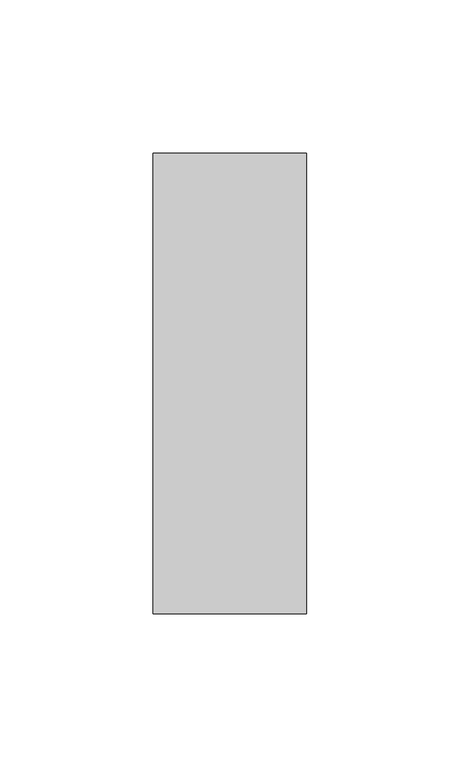
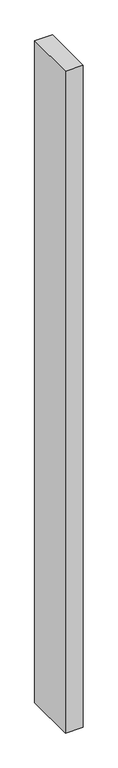
"""IFC4 building model written with IfcOpenShell, lengths in millimetres: member geometry."""

from ifc_helpers import new_model, si_unit, frame, origin, place, context, project, spatial, polyline, outline, extrude, source, transform, mapped, element, save


def member_7164932b(model_context):
    return source(origin(), model_context, "Body", "SweptSolid", [
        extrude(outline(polyline([(25.0, 75.0), (25.0, -75.0), (-25.0, -75.0), (-25.0, 75.0), (25.0, 75.0)])), frame((0.0, 0.0, -1975.0), z_axis=(0.0, 0.0, 1.0), x_axis=(1.0, 0.0, 0.0)), (0.0, 0.0, 1.0), 1975.0),
    ])


if __name__ == "__main__":
    model = new_model("IFC4")
    model_context = context("Model", 3, world=origin())
    ifc_project = project(units=[si_unit("LENGTHUNIT", "METRE", prefix="MILLI")], contexts=[model_context])
    site = spatial("IfcSite", under=ifc_project)
    building = spatial("IfcBuilding", under=site)
    placement = place(None, origin())
    member_shape = member_7164932b(model_context)
    element("IfcMember", 1, at=placement, inside=building, context=model_context, shape_type="MappedRepresentation", body=[
        mapped(member_shape, transform((0.0, 0.0, 0.0), x_axis=(1.0, 0.0, 0.0), y_axis=(0.0, 1.0, 0.0), z_axis=(0.0, 0.0, 1.0))),
    ])
    save(model, "model.ifc")
